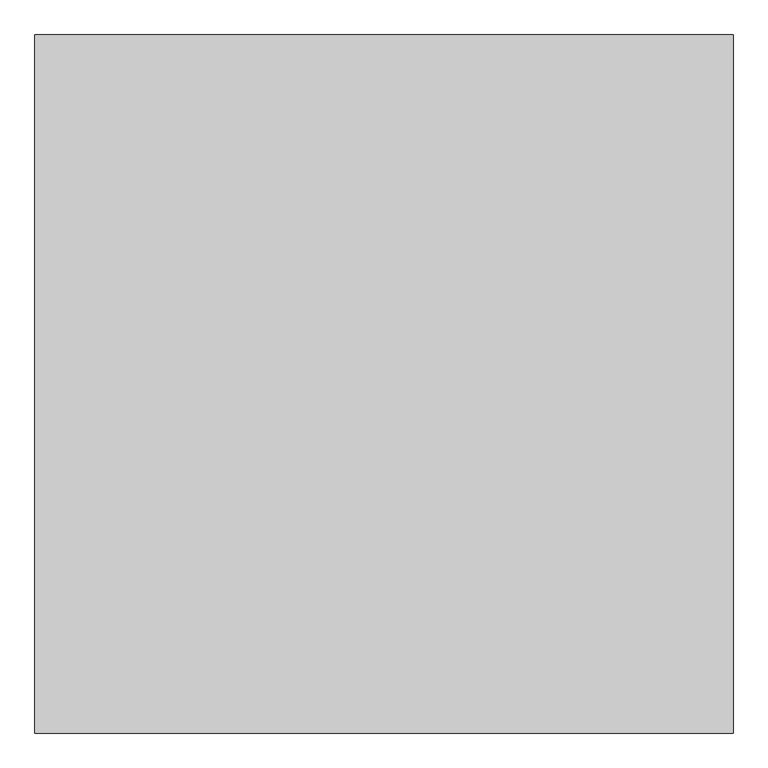
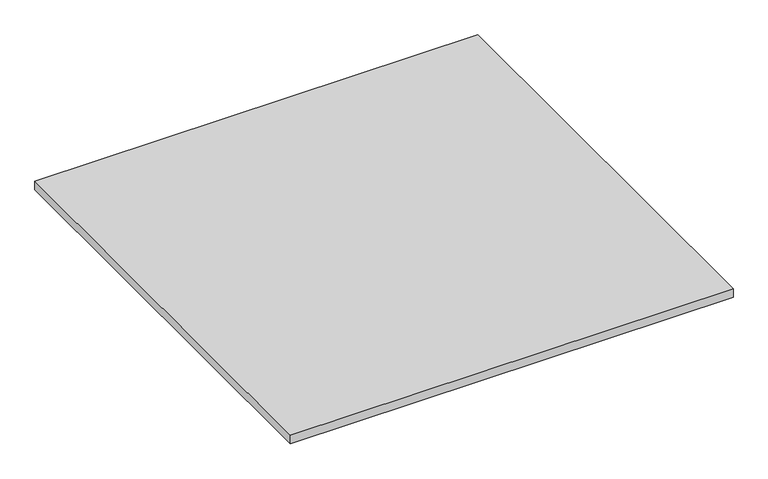
"""IFC4 building model written with IfcOpenShell, lengths in millimetres: proxy geometry."""

from ifc_helpers import new_model, si_unit, origin, origin_with_axes, place, context, project, spatial, polyline, outline, extrude, source, transform, mapped, element, save


def generic_models_7158aa64(model_context):
    return source(origin(), model_context, "Body", "SweptSolid", [
        extrude(outline(polyline([(-5784.8983566, -5452.8374841), (-5784.8983566, -6452.8374841), (-6784.8983566, -6452.8374841), (-6784.8983566, -5452.8374841), (-5784.8983566, -5452.8374841)])), origin_with_axes(), (0.0, 0.0, 1.0), 20.0),
    ])


if __name__ == "__main__":
    model = new_model("IFC4")
    model_context = context("Model", 3, world=origin())
    ifc_project = project(units=[si_unit("LENGTHUNIT", "METRE", prefix="MILLI")], contexts=[model_context])
    site = spatial("IfcSite", under=ifc_project)
    building = spatial("IfcBuilding", under=site)
    placement = place(None, origin())
    generic_models_shape = generic_models_7158aa64(model_context)
    element("IfcBuildingElementProxy", 1, Name="Generic Models", at=placement, inside=building, context=model_context, shape_type="MappedRepresentation", body=[
        mapped(generic_models_shape, transform((0.0, 0.0, 0.0), x_axis=(1.0, 0.0, 0.0), y_axis=(0.0, 1.0, 0.0), z_axis=(0.0, 0.0, 1.0))),
    ])
    save(model, "model.ifc")
